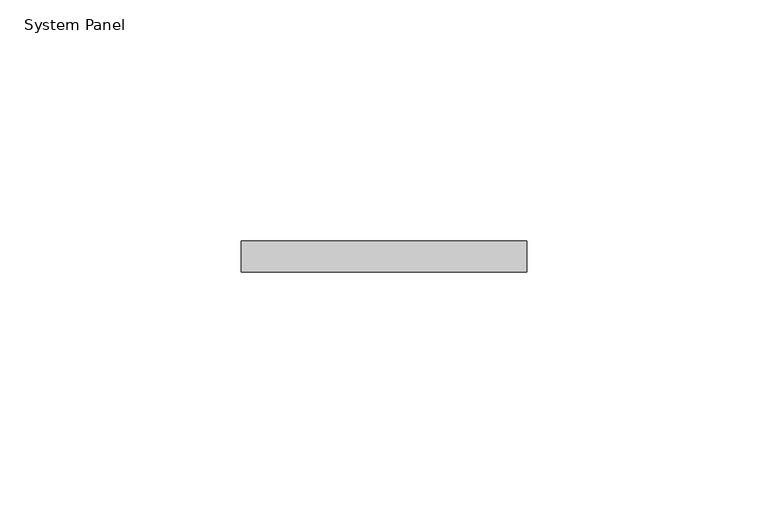
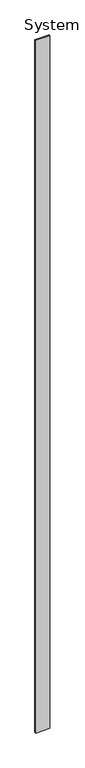
"""IFC4 building model written with IfcOpenShell, lengths in millimetres: plate geometry, System Panel."""

from ifc_helpers import new_model, si_unit, origin, origin_with_axes, place, context, project, spatial, polyline, outline, extrude, source, transform, mapped, element, save


def system_panel_020e93d4(model_context):
    return source(origin(), model_context, "Body", "SweptSolid", [
        extrude(outline(polyline([(29.5048649, 0.0), (-29.5048649, 0.0), (-29.5048649, 6.35), (29.5048649, 6.35), (29.5048649, 0.0)])), origin_with_axes(), (0.0, 0.0, 1.0), 3048.0),
    ])


if __name__ == "__main__":
    model = new_model("IFC4")
    model_context = context("Model", 3, world=origin())
    ifc_project = project(units=[si_unit("LENGTHUNIT", "METRE", prefix="MILLI")], contexts=[model_context])
    site = spatial("IfcSite", under=ifc_project)
    building = spatial("IfcBuilding", under=site)
    placement = place(None, origin())
    system_panel_shape = system_panel_020e93d4(model_context)
    element("IfcPlate", 1, ObjectType="System Panel", at=placement, inside=building, context=model_context, shape_type="MappedRepresentation", body=[
        mapped(system_panel_shape, transform((0.0, 0.0, 0.0), x_axis=(1.0, 0.0, 0.0), y_axis=(0.0, 1.0, 0.0), z_axis=(0.0, 0.0, 1.0))),
    ])
    save(model, "model.ifc")
